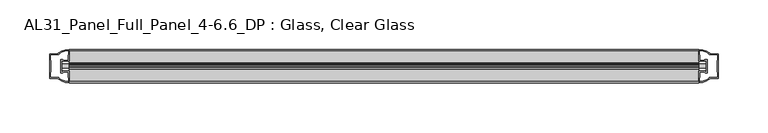
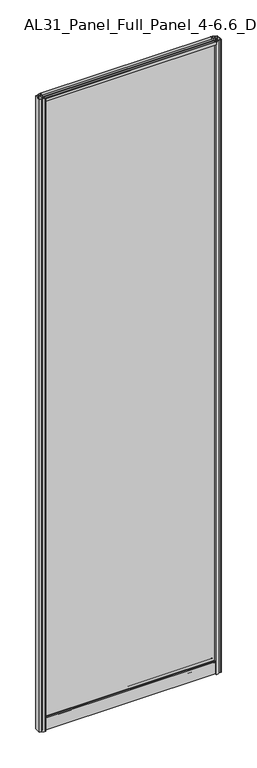
"""IFC4 building model written with IfcOpenShell, lengths in millimetres: plate geometry, AL31_Panel_Full_Panel_4-6.6_DP : Glass, Clear Glass."""

from ifc_helpers import new_model, si_unit, point, frame, frame_2d, origin, origin_with_axes, place, context, project, spatial, polyline, circle_curve, trimmed, segment, composite_curve, outline, extrude, source, transform, mapped, element, save


def al31_panel_full_panel_4_6_6_dp_glass_clear_glass_945ffe62(model_context):
    return source(origin(), model_context, "Body", "SweptSolid", [
        extrude(outline(composite_curve([segment(polyline([(18.457, 2480.4980762), (19.007, 2479.5454483)]), True, "CONTINUOUS"), segment(trimmed(circle_curve(frame_2d((19.957, 2477.9)), 1.9), [point((19.007, 2479.5454483))], [point((20.907, 2479.5454483))], True, "CARTESIAN"), True, "CONTINUOUS"), segment(polyline([(20.907, 2479.5454483), (21.457, 2480.4980762)]), True, "CONTINUOUS"), segment(trimmed(circle_curve(frame_2d((19.957, 2477.9)), 3.0), [point((21.457, 2480.4980762))], [point((22.4288414, 2476.2))], False, "CARTESIAN"), True, "CONTINUOUS"), segment(polyline([(22.4288414, 2476.2), (35.557, 2476.2), (35.557, 2485.6), (36.857, 2485.6), (36.857, 2475.1), (26.5594688, 2475.1), (26.5594688, 2474.3), (26.0538782, 2472.3785039), (26.0538782, 2467.7), (24.857, 2467.7), (24.857, 2473.0339746), (25.357, 2473.9), (25.357, 2475.1), (14.357, 2475.1), (14.357, 2473.9), (14.857, 2473.0339746), (14.857, 2467.7), (13.6601218, 2467.7), (13.6601218, 2472.3785039), (13.1545312, 2474.3), (13.1545312, 2475.1), (2.857, 2475.1), (2.857, 2485.6), (4.157, 2485.6), (4.157, 2476.2), (17.4851586, 2476.2)]), True, "CONTINUOUS"), segment(trimmed(circle_curve(frame_2d((19.957, 2477.9)), 3.0), [point((17.4851586, 2476.2))], [point((18.457, 2480.4980762))], False, "CARTESIAN"), True, "CONTINUOUS")], self_intersect=False)), frame((-317.5, 0.0, 0.0), z_axis=(1.0, 0.0, 0.0), x_axis=(0.0, 1.0, 0.0)), (0.0, 0.0, 1.0), 635.0),
        extrude(outline(composite_curve([segment(trimmed(circle_curve(frame_2d((11.457, 34.8)), 1.0), [point((11.457, 35.8))], [point((10.457, 34.8))], True, "CARTESIAN"), True, "CONTINUOUS"), segment(polyline([(10.457, 34.8), (10.457, 33.5), (14.8569697, 33.5), (14.8569697, 32.3), (10.457, 32.3), (10.457, 0.0), (9.257, 0.0), (9.257, 47.3)]), True, "CONTINUOUS"), segment(trimmed(circle_curve(frame_2d((11.257, 47.3)), 2.0), [point((9.257, 47.3))], [point((11.257, 49.3))], False, "CARTESIAN"), True, "CONTINUOUS"), segment(polyline([(11.257, 49.3), (14.857, 49.3), (14.857, 41.9), (24.857, 41.9), (24.857, 49.3), (28.457, 49.3)]), True, "CONTINUOUS"), segment(trimmed(circle_curve(frame_2d((28.457, 47.3)), 2.0), [point((28.457, 49.3))], [point((30.457, 47.3))], False, "CARTESIAN"), True, "CONTINUOUS"), segment(polyline([(30.457, 47.3), (30.457, 0.0), (29.257, 0.0), (29.257, 32.3), (24.8569697, 32.3), (24.8569697, 33.5), (29.257, 33.5), (29.257, 34.8)]), True, "CONTINUOUS"), segment(trimmed(circle_curve(frame_2d((28.257, 34.8)), 1.0), [point((29.257, 34.8))], [point((28.257, 35.8))], True, "CARTESIAN"), True, "CONTINUOUS"), segment(polyline([(28.257, 35.8), (11.457, 35.8)]), True, "CONTINUOUS")], self_intersect=False), holes=[composite_curve([segment(trimmed(circle_curve(frame_2d((25.3594688, 41.8)), 1.0), [point((26.3594688, 41.8))], [point((25.3594688, 40.8))], False, "CARTESIAN"), True, "CONTINUOUS"), segment(polyline([(25.3594688, 40.8), (22.6578965, 40.8), (22.6578965, 39.7274194), (21.6940508, 39.7274194)]), True, "CONTINUOUS"), segment(trimmed(circle_curve(frame_2d((19.857, 38.7)), 2.1048387), [point((21.6940508, 39.7274194))], [point((18.0199492, 39.7274194))], True, "CARTESIAN"), True, "CONTINUOUS"), segment(polyline([(18.0199492, 39.7274194), (17.0561035, 39.7274194), (17.0561035, 40.8), (14.3545312, 40.8)]), True, "CONTINUOUS"), segment(trimmed(circle_curve(frame_2d((14.3545312, 41.8)), 1.0), [point((14.3545312, 40.8))], [point((13.3545312, 41.8))], False, "CARTESIAN"), True, "CONTINUOUS"), segment(polyline([(13.3545312, 41.8), (13.3545312, 42.7)]), True, "CONTINUOUS"), segment(trimmed(circle_curve(frame_2d((14.5545312, 42.7)), 1.2), [point((13.3545312, 42.7))], [point((13.7371816, 43.5786009))], False, "CARTESIAN"), True, "CONTINUOUS"), segment(polyline([(13.7371816, 43.5786009), (13.7371816, 48.2), (11.457, 48.2)]), True, "CONTINUOUS"), segment(trimmed(circle_curve(frame_2d((11.457, 47.2)), 1.0), [point((11.457, 48.2))], [point((10.457, 47.2))], True, "CARTESIAN"), True, "CONTINUOUS"), segment(polyline([(10.457, 47.2), (10.457, 37.04), (17.0561035, 37.04), (17.0561035, 38.0725806), (18.0199492, 38.0725806)]), True, "CONTINUOUS"), segment(trimmed(circle_curve(frame_2d((19.857, 39.1)), 2.1048387), [point((18.0199492, 38.0725806))], [point((21.6940508, 38.0725806))], True, "CARTESIAN"), True, "CONTINUOUS"), segment(polyline([(21.6940508, 38.0725806), (22.6578965, 38.0725806), (22.6578965, 37.04), (29.257, 37.04), (29.257, 47.2)]), True, "CONTINUOUS"), segment(trimmed(circle_curve(frame_2d((28.257, 47.2)), 1.0), [point((29.257, 47.2))], [point((28.257, 48.2))], True, "CARTESIAN"), True, "CONTINUOUS"), segment(polyline([(28.257, 48.2), (25.9768184, 48.2), (25.9768184, 43.7786009)]), True, "CONTINUOUS"), segment(trimmed(circle_curve(frame_2d((25.1594688, 42.9)), 1.2), [point((25.9768184, 43.7786009))], [point((26.3594688, 42.9))], False, "CARTESIAN"), True, "CONTINUOUS"), segment(polyline([(26.3594688, 42.9), (26.3594688, 41.8)]), True, "CONTINUOUS")], self_intersect=False)]), frame((-317.5, 0.0, 0.0), z_axis=(1.0, 0.0, 0.0), x_axis=(0.0, 1.0, 0.0)), (0.0, 0.0, 1.0), 635.0),
        extrude(outline(composite_curve([segment(polyline([(-325.3414214, 25.757), (-325.3414214, 13.957), (-324.1414214, 13.957), (-324.1414214, 14.857), (-317.5, 14.857), (-317.5, 2.8566686)]), True, "CONTINUOUS"), segment(trimmed(circle_curve(frame_2d((-317.1353484, 22.8533441)), 20.0), [point((-317.5, 2.8566686))], [point((-328.8558352, 6.6474751))], False, "CARTESIAN"), True, "CONTINUOUS"), segment(polyline([(-328.8558352, 6.6474751), (-328.8558352, 7.4849343), (-337.5, 7.4849343), (-337.5, 32.1849343), (-328.8558352, 32.1849343), (-328.8558352, 33.0663388)]), True, "CONTINUOUS"), segment(trimmed(circle_curve(frame_2d((-317.1353484, 16.8604698)), 20.0), [point((-328.8558352, 33.0663388))], [point((-317.5, 36.8571453))], False, "CARTESIAN"), True, "CONTINUOUS"), segment(polyline([(-317.5, 36.8571453), (-317.5, 24.857), (-324.1414214, 24.857), (-324.1414214, 25.757), (-325.3414214, 25.757)]), True, "CONTINUOUS")], self_intersect=False), holes=[composite_curve([segment(polyline([(-324.3414214, 12.657), (-326.6414214, 12.657), (-326.6414214, 27.057), (-324.3414214, 27.057)]), True, "CONTINUOUS"), segment(trimmed(circle_curve(frame_2d((-324.3414214, 25.557)), 1.5), [point((-324.3414214, 27.057))], [point((-322.9662696, 26.1561308))], False, "CARTESIAN"), True, "CONTINUOUS"), segment(polyline([(-322.9662696, 26.1561308), (-319.2414214, 26.1561308), (-319.2414214, 30.7520916), (-318.8020815, 31.8127518), (-318.8020815, 35.4628503)]), True, "CONTINUOUS"), segment(trimmed(circle_curve(frame_2d((-317.1353484, 16.8372765)), 18.7), [point((-318.8020815, 35.4628503))], [point((-327.1421262, 32.6345673))], True, "CARTESIAN"), True, "CONTINUOUS"), segment(trimmed(circle_curve(frame_2d((-328.9414214, 32.6849343)), 1.8), [point((-327.1421262, 32.6345673))], [point((-328.9414214, 30.8849343))], False, "CARTESIAN"), True, "CONTINUOUS"), segment(polyline([(-328.9414214, 30.8849343), (-336.1414214, 30.8849343), (-336.1414214, 26.2449987), (-335.6414214, 25.2520916), (-335.6414214, 14.417777), (-336.0828427, 13.3550394), (-336.0828427, 8.7849343), (-328.9414214, 8.7849343)]), True, "CONTINUOUS"), segment(trimmed(circle_curve(frame_2d((-328.9414214, 6.9849343)), 1.8), [point((-328.9414214, 8.7849343))], [point((-327.1421262, 7.0353013))], False, "CARTESIAN"), True, "CONTINUOUS"), segment(trimmed(circle_curve(frame_2d((-317.1353484, 22.8325921)), 18.7), [point((-327.1421262, 7.0353013))], [point((-318.8020815, 4.2070183))], True, "CARTESIAN"), True, "CONTINUOUS"), segment(polyline([(-318.8020815, 4.2070183), (-318.8020815, 7.8571168), (-319.2414214, 8.917777), (-319.2414214, 13.5141269), (-322.9861671, 13.5141269)]), True, "CONTINUOUS"), segment(trimmed(circle_curve(frame_2d((-324.3414214, 14.157)), 1.5), [point((-322.9861671, 13.5141269))], [point((-324.3414214, 12.657))], False, "CARTESIAN"), True, "CONTINUOUS")], self_intersect=False)]), origin_with_axes(), (0.0, 0.0, 1.0), 2485.6),
        extrude(outline(composite_curve([segment(polyline([(325.3414214, 13.957), (325.3414214, 25.757), (324.1414214, 25.757), (324.1414214, 24.857), (317.5, 24.857), (317.5, 36.8573314)]), True, "CONTINUOUS"), segment(trimmed(circle_curve(frame_2d((317.1353484, 16.8606559)), 20.0), [point((317.5, 36.8573314))], [point((328.8558352, 33.0665249))], False, "CARTESIAN"), True, "CONTINUOUS"), segment(polyline([(328.8558352, 33.0665249), (328.8558352, 32.2290657), (337.5, 32.2290657), (337.5, 7.5290657), (328.8558352, 7.5290657), (328.8558352, 6.6476612)]), True, "CONTINUOUS"), segment(trimmed(circle_curve(frame_2d((317.1353484, 22.8535302)), 20.0), [point((328.8558352, 6.6476612))], [point((317.5, 2.8568547))], False, "CARTESIAN"), True, "CONTINUOUS"), segment(polyline([(317.5, 2.8568547), (317.5, 14.857), (324.1414214, 14.857), (324.1414214, 13.957), (325.3414214, 13.957)]), True, "CONTINUOUS")], self_intersect=False), holes=[composite_curve([segment(polyline([(324.3414214, 27.057), (326.6414214, 27.057), (326.6414214, 12.657), (324.3414214, 12.657)]), True, "CONTINUOUS"), segment(trimmed(circle_curve(frame_2d((324.3414214, 14.157)), 1.5), [point((324.3414214, 12.657))], [point((322.9662696, 13.5578692))], False, "CARTESIAN"), True, "CONTINUOUS"), segment(polyline([(322.9662696, 13.5578692), (319.2414214, 13.5578692), (319.2414214, 8.9619084), (318.8020815, 7.9012482), (318.8020815, 4.2511497)]), True, "CONTINUOUS"), segment(trimmed(circle_curve(frame_2d((317.1353484, 22.8767235)), 18.7), [point((318.8020815, 4.2511497))], [point((327.1421262, 7.0794327))], True, "CARTESIAN"), True, "CONTINUOUS"), segment(trimmed(circle_curve(frame_2d((328.9414214, 7.0290657)), 1.8), [point((327.1421262, 7.0794327))], [point((328.9414214, 8.8290657))], False, "CARTESIAN"), True, "CONTINUOUS"), segment(polyline([(328.9414214, 8.8290657), (336.1414214, 8.8290657), (336.1414214, 13.4690013), (335.6414214, 14.4619084), (335.6414214, 25.296223), (336.0828427, 26.3589606), (336.0828427, 30.9290657), (328.9414214, 30.9290657)]), True, "CONTINUOUS"), segment(trimmed(circle_curve(frame_2d((328.9414214, 32.7290657)), 1.8), [point((328.9414214, 30.9290657))], [point((327.1421262, 32.6786987))], False, "CARTESIAN"), True, "CONTINUOUS"), segment(trimmed(circle_curve(frame_2d((317.1353484, 16.8814079)), 18.7), [point((327.1421262, 32.6786987))], [point((318.8020815, 35.5069817))], True, "CARTESIAN"), True, "CONTINUOUS"), segment(polyline([(318.8020815, 35.5069817), (318.8020815, 31.8568832), (319.2414214, 30.796223), (319.2414214, 26.1998731), (322.9861671, 26.1998731)]), True, "CONTINUOUS"), segment(trimmed(circle_curve(frame_2d((324.3414214, 25.557)), 1.5), [point((322.9861671, 26.1998731))], [point((324.3414214, 27.057))], False, "CARTESIAN"), True, "CONTINUOUS")], self_intersect=False)]), origin_with_axes(), (0.0, 0.0, 1.0), 2485.6),
        extrude(outline(polyline([(325.3414214, 17.857), (-325.3414214, 17.857), (-325.3414214, 21.857), (325.3414214, 21.857), (325.3414214, 17.857)])), frame((0.0, 0.0, 41.9), z_axis=(0.0, 0.0, 1.0), x_axis=(1.0, 0.0, 0.0)), (0.0, 0.0, 1.0), 2433.2),
    ])


if __name__ == "__main__":
    model = new_model("IFC4")
    model_context = context("Model", 3, world=origin())
    ifc_project = project(units=[si_unit("LENGTHUNIT", "METRE", prefix="MILLI")], contexts=[model_context])
    site = spatial("IfcSite", under=ifc_project)
    building = spatial("IfcBuilding", under=site)
    placement = place(None, origin())
    al31_panel_full_panel_4_6_6_dp_glass_clear_glass_shape = al31_panel_full_panel_4_6_6_dp_glass_clear_glass_945ffe62(model_context)
    element("IfcPlate", 1, ObjectType="AL31_Panel_Full_Panel_4-6.6_DP : Glass, Clear Glass", at=placement, inside=building, context=model_context, shape_type="MappedRepresentation", body=[
        mapped(al31_panel_full_panel_4_6_6_dp_glass_clear_glass_shape, transform((0.0, 0.0, 0.0), x_axis=(1.0, 0.0, 0.0), y_axis=(0.0, 1.0, 0.0), z_axis=(0.0, 0.0, 1.0))),
    ])
    save(model, "model.ifc")
